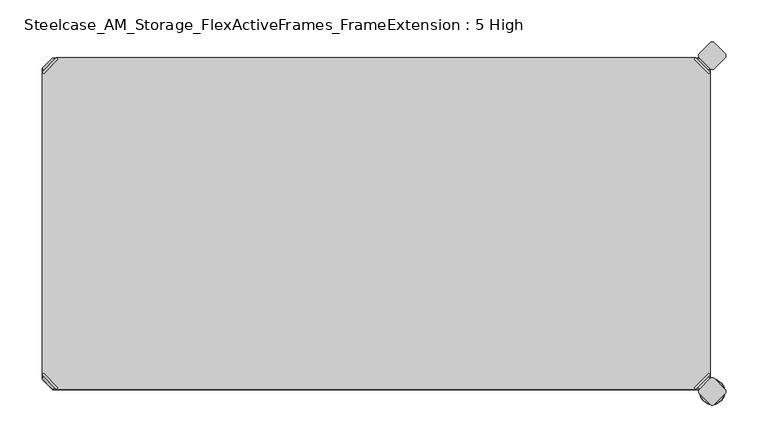
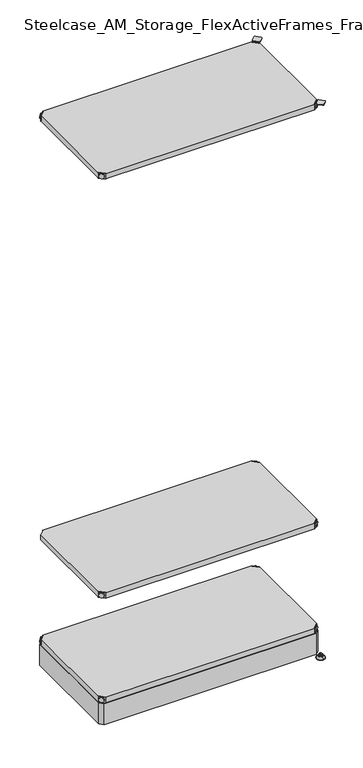
"""IFC4 building model written with IfcOpenShell, lengths in millimetres: furniture geometry, Steelcase_AM_Storage_FlexActiveFrames_FrameExtension : 5 High."""

from ifc_helpers import new_model, si_unit, point, frame, frame_2d, origin, place, context, project, spatial, polyline, circle_curve, ellipse_curve, trimmed, segment, composite_curve, outline, extrude, source, transform, mapped, element, save
from ifc_brep_helpers import plane_surface, cylinder_surface, revolved_surface, advanced_brep


def steelcase_am_storage_flexactiveframes_frameextension_5_high_43b7d896(model_context):
    return source(origin(), model_context, "Body", "SolidModel", [
        advanced_brep(
        [(797.56, 380.2870969, 520.2936), (780.3370969, 397.51, 520.2936), (778.5410456, 395.7139488, 520.2936), (795.7639488, 378.4910456, 520.2936), (797.56, 380.2870969, 498.9576), (780.3370969, 397.51, 498.9576), (795.2347277, 382.6123691, 510.1336), (782.6623691, 395.1847277, 510.1336), (769.8079478, 352.5350447, 499.9736), (795.7639488, 378.4910456, 499.9736), (778.5410456, 395.7139488, 499.9736), (752.5850447, 369.7579478, 499.9736), (769.8079478, 352.5350447, 498.9576), (752.5850447, 369.7579478, 498.9576), (784.9772487, 397.4996073, 510.1336), (797.5496073, 384.9272487, 510.1336)],
        [
            (0, 1),
            (1, 2),
            (2, 3),
            (3, 0),
            (0, 4),
            (4, 5),
            (5, 1),
            (6, 7, circle_curve(frame((788.9485484, 388.8985484, 510.1336), z_axis=(-0.7071067811865446, -0.7071067811865505, 0.0), x_axis=(0.7071067811865505, -0.7071067811865446, 0.0)), 8.89)),
            (7, 6, circle_curve(frame((788.9485484, 388.8985484, 510.1336), z_axis=(-0.7071067811865446, -0.7071067811865505, 0.0), x_axis=(0.7071067811865505, -0.7071067811865446, 0.0)), 8.89)),
            (8, 9),
            (9, 10),
            (10, 11),
            (11, 8, circle_curve(frame((761.1964963, 361.1464963, 499.9736), z_axis=(0.0, 0.0, 1.0), x_axis=(-1.0, 0.0, 0.0)), 12.1784316)),
            (12, 13, circle_curve(frame((761.1964963, 361.1464963, 498.9576), z_axis=(0.0, 0.0, -1.0), x_axis=(-1.0, 0.0, 0.0)), 12.1784316)),
            (13, 5),
            (4, 12),
            (14, 15, circle_curve(frame((791.263428, 391.213428, 510.1336), z_axis=(0.7071067811865446, 0.7071067811865505, 0.0), x_axis=(0.7071067811865505, -0.7071067811865446, 0.0)), 8.89)),
            (15, 14, circle_curve(frame((791.263428, 391.213428, 510.1336), z_axis=(0.7071067811865446, 0.7071067811865505, 0.0), x_axis=(0.7071067811865505, -0.7071067811865446, 0.0)), 8.89)),
            (15, 6),
            (7, 14),
            (2, 10),
            (9, 3),
            (11, 13),
            (12, 8),
        ],
        [
            plane_surface(frame((819.7579872, 402.485084, 520.2936), z_axis=(0.0, 0.0, 1.0000000000000002), x_axis=(-0.7071067811865436, -0.7071067811865516, 0.0))),
            plane_surface(frame((780.3370969, 397.51, 520.2936), z_axis=(0.7071067811865447, 0.7071067811865503, 0.0), x_axis=(0.0, 0.0, -1.0))),
            plane_surface(frame((749.0180647, 361.1464963, 499.9736), z_axis=(0.0, 0.0, 1.0), x_axis=(0.0, 1.0, 0.0))),
            plane_surface(frame((749.0180647, 361.1464963, 498.9576), z_axis=(0.0, 0.0, -1.0), x_axis=(0.0, -1.0, 0.0))),
            plane_surface(frame((797.5496073, 384.9272487, 510.1336), z_axis=(0.7071067811865446, 0.7071067811865505, 0.0), x_axis=(0.0, 0.0, 1.0))),
            cylinder_surface(frame((788.9485484, 388.8985484, 510.1336), z_axis=(0.7071067811865446, 0.7071067811865505, 0.0), x_axis=(0.7071067811865505, -0.7071067811865446, 0.0)), 8.89),
            plane_surface(frame((795.7639488, 378.4910456, 520.2936), z_axis=(-0.7071067811865447, -0.7071067811865503, 0.0), x_axis=(0.0, 0.0, -1.0))),
            cylinder_surface(frame((761.1964963, 361.1464963, 498.9576), z_axis=(0.0, 0.0, 1.0), x_axis=(-1.0, 0.0, 0.0)), 12.1784316),
            plane_surface(frame((797.56, 380.2870969, 520.2936), z_axis=(0.7071067811865516, -0.7071067811865436, 0.0), x_axis=(0.0, 0.0, -1.0))),
            plane_surface(frame((778.5410456, 395.7139488, 520.2936), z_axis=(-0.7071067811865513, 0.7071067811865437, 0.0), x_axis=(0.0, 0.0, -1.0))),
        ],
        [
            (0, [[1, 2, 3, 4]]),
            (1, [[5, 6, 7, -1], [8, 9]]),
            (2, [[10, 11, 12, 13]]),
            (3, [[14, 15, -6, 16]]),
            (4, [[17, 18]]),
            (5, [[19, -9, 20, -18]]),
            (5, [[-20, -8, -19, -17]]),
            (6, [[21, -11, 22, -3]]),
            (7, [[23, -14, 24, -13]]),
            (8, [[-22, -10, -24, -16, -5, -4]]),
            (9, [[-7, -15, -23, -12, -21, -2]]),
        ],
    ),
        advanced_brep(
        [(797.56, 19.7629031, 520.2936), (795.7639488, 21.5589544, 520.2936), (778.5410456, 4.3360512, 520.2936), (780.3370969, 2.54, 520.2936), (780.3370969, 2.54, 498.9576), (797.56, 19.7629031, 498.9576), (795.2347277, 17.4376309, 510.1336), (782.6623691, 4.8652723, 510.1336), (769.8079478, 47.5149553, 499.9736), (752.5850447, 30.2920522, 499.9736), (778.5410456, 4.3360512, 499.9736), (795.7639488, 21.5589544, 499.9736), (769.8079478, 47.5149553, 498.9576), (752.5850447, 30.2920522, 498.9576), (784.9772487, 2.5503927, 510.1336), (797.5496073, 15.1227513, 510.1336)],
        [
            (0, 1),
            (1, 2),
            (2, 3),
            (3, 0),
            (3, 4),
            (4, 5),
            (5, 0),
            (6, 7, circle_curve(frame((788.9485484, 11.1514516, 510.1336), z_axis=(-0.7071067811865469, 0.7071067811865481, 0.0), x_axis=(0.7071067811865481, 0.7071067811865469, 0.0)), 8.89)),
            (7, 6, circle_curve(frame((788.9485484, 11.1514516, 510.1336), z_axis=(-0.7071067811865469, 0.7071067811865481, 0.0), x_axis=(0.7071067811865481, 0.7071067811865469, 0.0)), 8.89)),
            (8, 9, circle_curve(frame((761.1964963, 38.9035037, 499.9736), z_axis=(0.0, 0.0, 1.0), x_axis=(-1.0, 0.0, 0.0)), 12.1784316)),
            (9, 10),
            (10, 11),
            (11, 8),
            (12, 5),
            (4, 13),
            (13, 12, circle_curve(frame((761.1964963, 38.9035037, 498.9576), z_axis=(0.0, 0.0, -1.0), x_axis=(-1.0, 0.0, 0.0)), 12.1784316)),
            (14, 15, circle_curve(frame((791.263428, 8.836572, 510.1336), z_axis=(0.7071067811865469, -0.7071067811865481, 0.0), x_axis=(0.7071067811865481, 0.7071067811865469, 0.0)), 8.89)),
            (15, 14, circle_curve(frame((791.263428, 8.836572, 510.1336), z_axis=(0.7071067811865469, -0.7071067811865481, 0.0), x_axis=(0.7071067811865481, 0.7071067811865469, 0.0)), 8.89)),
            (14, 7),
            (6, 15),
            (1, 11),
            (10, 2),
            (8, 12),
            (13, 9),
        ],
        [
            plane_surface(frame((819.7579872, -2.435084, 520.2936), z_axis=(0.0, 0.0, 1.0000000000000002), x_axis=(-0.7071067811865459, 0.7071067811865492, 0.0))),
            plane_surface(frame((780.3370969, 2.54, 520.2936), z_axis=(0.707106781186547, -0.707106781186548, 0.0), x_axis=(0.0, 0.0, -1.0))),
            plane_surface(frame((749.0180647, 38.9035037, 499.9736), z_axis=(0.0, 0.0, 1.0), x_axis=(0.0, -1.0, 0.0))),
            plane_surface(frame((749.0180647, 38.9035037, 498.9576), z_axis=(0.0, 0.0, -1.0), x_axis=(0.0, 1.0, 0.0))),
            plane_surface(frame((797.5496073, 15.1227513, 510.1336), z_axis=(0.7071067811865469, -0.7071067811865481, 0.0), x_axis=(0.0, 0.0, 1.0))),
            cylinder_surface(frame((788.9485484, 11.1514516, 510.1336), z_axis=(0.7071067811865469, -0.7071067811865481, 0.0), x_axis=(0.7071067811865481, 0.7071067811865469, 0.0)), 8.89),
            plane_surface(frame((795.7639488, 21.5589544, 520.2936), z_axis=(-0.707106781186547, 0.707106781186548, 0.0), x_axis=(0.0, 0.0, -1.0))),
            cylinder_surface(frame((761.1964963, 38.9035037, 498.9576), z_axis=(0.0, 0.0, 1.0), x_axis=(-1.0, 0.0, 0.0)), 12.1784316),
            plane_surface(frame((797.56, 19.7629031, 520.2936), z_axis=(0.7071067811865492, 0.7071067811865459, 0.0), x_axis=(0.0, 0.0, -1.0))),
            plane_surface(frame((778.5410456, 4.3360512, 520.2936), z_axis=(-0.707106781186549, -0.707106781186546, 0.0), x_axis=(0.0, 0.0, -1.0))),
        ],
        [
            (0, [[1, 2, 3, 4]]),
            (1, [[-4, 5, 6, 7], [8, 9]]),
            (2, [[10, 11, 12, 13]]),
            (3, [[14, -6, 15, 16]]),
            (4, [[17, 18]]),
            (5, [[-17, 19, -8, 20]]),
            (5, [[-18, -20, -9, -19]]),
            (6, [[-2, 21, -12, 22]]),
            (7, [[-10, 23, -16, 24]]),
            (8, [[-1, -7, -14, -23, -13, -21]]),
            (9, [[-3, -22, -11, -24, -15, -5]]),
        ],
    ),
        advanced_brep(
        [(2.54, 19.7629031, 520.2936), (19.7629031, 2.54, 520.2936), (21.5589544, 4.3360512, 520.2936), (4.3360512, 21.5589544, 520.2936), (2.54, 19.7629031, 498.9576), (19.7629031, 2.54, 498.9576), (4.8652723, 17.4376309, 510.1336), (17.4376309, 4.8652723, 510.1336), (30.2920522, 47.5149553, 499.9736), (4.3360512, 21.5589544, 499.9736), (21.5589544, 4.3360512, 499.9736), (47.5149553, 30.2920522, 499.9736), (30.2920522, 47.5149553, 498.9576), (47.5149553, 30.2920522, 498.9576), (15.1227513, 2.5503927, 510.1336), (2.5503927, 15.1227513, 510.1336)],
        [
            (0, 1),
            (1, 2),
            (2, 3),
            (3, 0),
            (0, 4),
            (4, 5),
            (5, 1),
            (6, 7, circle_curve(frame((11.1514516, 11.1514516, 510.1336), z_axis=(0.7071067811865469, 0.7071067811865481, 0.0), x_axis=(-0.7071067811865481, 0.7071067811865469, 0.0)), 8.89)),
            (7, 6, circle_curve(frame((11.1514516, 11.1514516, 510.1336), z_axis=(0.7071067811865469, 0.7071067811865481, 0.0), x_axis=(-0.7071067811865481, 0.7071067811865469, 0.0)), 8.89)),
            (8, 9),
            (9, 10),
            (10, 11),
            (11, 8, circle_curve(frame((38.9035037, 38.9035037, 499.9736), z_axis=(0.0, 0.0, 1.0), x_axis=(1.0, 0.0, 0.0)), 12.1784316)),
            (12, 13, circle_curve(frame((38.9035037, 38.9035037, 498.9576), z_axis=(0.0, 0.0, -1.0), x_axis=(1.0, 0.0, 0.0)), 12.1784316)),
            (13, 5),
            (4, 12),
            (14, 15, circle_curve(frame((8.836572, 8.836572, 510.1336), z_axis=(-0.7071067811865469, -0.7071067811865481, 0.0), x_axis=(-0.7071067811865481, 0.7071067811865469, 0.0)), 8.89)),
            (15, 14, circle_curve(frame((8.836572, 8.836572, 510.1336), z_axis=(-0.7071067811865469, -0.7071067811865481, 0.0), x_axis=(-0.7071067811865481, 0.7071067811865469, 0.0)), 8.89)),
            (15, 6),
            (7, 14),
            (2, 10),
            (9, 3),
            (11, 13),
            (12, 8),
        ],
        [
            plane_surface(frame((-19.6579872, -2.435084, 520.2936), z_axis=(0.0, 0.0, 1.0000000000000002), x_axis=(0.7071067811865459, 0.7071067811865492, 0.0))),
            plane_surface(frame((19.7629031, 2.54, 520.2936), z_axis=(-0.707106781186547, -0.707106781186548, 0.0), x_axis=(0.0, 0.0, -1.0))),
            plane_surface(frame((51.0819353, 38.9035037, 499.9736), z_axis=(0.0, 0.0, 1.0), x_axis=(0.0, -1.0, 0.0))),
            plane_surface(frame((51.0819353, 38.9035037, 498.9576), z_axis=(0.0, 0.0, -1.0), x_axis=(0.0, 1.0, 0.0))),
            plane_surface(frame((2.5503927, 15.1227513, 510.1336), z_axis=(-0.7071067811865469, -0.7071067811865481, 0.0), x_axis=(0.0, 0.0, 1.0))),
            cylinder_surface(frame((11.1514516, 11.1514516, 510.1336), z_axis=(-0.7071067811865469, -0.7071067811865481, 0.0), x_axis=(-0.7071067811865481, 0.7071067811865469, 0.0)), 8.89),
            plane_surface(frame((4.3360512, 21.5589544, 520.2936), z_axis=(0.707106781186547, 0.707106781186548, 0.0), x_axis=(0.0, 0.0, -1.0))),
            cylinder_surface(frame((38.9035037, 38.9035037, 498.9576), z_axis=(0.0, 0.0, 1.0), x_axis=(1.0, 0.0, 0.0)), 12.1784316),
            plane_surface(frame((2.54, 19.7629031, 520.2936), z_axis=(-0.7071067811865492, 0.7071067811865459, 0.0), x_axis=(0.0, 0.0, -1.0))),
            plane_surface(frame((21.5589544, 4.3360512, 520.2936), z_axis=(0.707106781186549, -0.707106781186546, 0.0), x_axis=(0.0, 0.0, -1.0))),
        ],
        [
            (0, [[1, 2, 3, 4]]),
            (1, [[5, 6, 7, -1], [8, 9]]),
            (2, [[10, 11, 12, 13]]),
            (3, [[14, 15, -6, 16]]),
            (4, [[17, 18]]),
            (5, [[19, -9, 20, -18]]),
            (5, [[-20, -8, -19, -17]]),
            (6, [[21, -11, 22, -3]]),
            (7, [[23, -14, 24, -13]]),
            (8, [[-22, -10, -24, -16, -5, -4]]),
            (9, [[-7, -15, -23, -12, -21, -2]]),
        ],
    ),
        extrude(outline(polyline([(19.7629031, 2.54), (21.5589544, 4.3360512), (4.3360512, 21.5589544), (2.54, 19.7629031), (2.54, 380.2870969), (4.3360512, 378.4910456), (21.5589544, 395.7139488), (19.7629031, 397.51), (780.3370969, 397.51), (778.5410456, 395.7139488), (795.7639488, 378.4910456), (797.56, 380.2870969), (797.56, 19.7629031), (795.7639488, 21.5589544), (778.5410456, 4.3360512), (780.3370969, 2.54), (19.7629031, 2.54)])), frame((0.0, 0.0, 499.9736), z_axis=(0.0, 0.0, 1.0), x_axis=(1.0, 0.0, 0.0)), (0.0, 0.0, 1.0), 20.32),
        advanced_brep(
        [(2.54, 380.2870969, 2127.25), (4.3360512, 378.4910456, 2127.25), (21.5589544, 395.7139488, 2127.25), (19.7629031, 397.51, 2127.25), (19.7629031, 397.51, 2105.914), (2.54, 380.2870969, 2105.914), (4.8652723, 382.6123691, 2117.09), (17.4376309, 395.1847277, 2117.09), (30.2920522, 352.5350447, 2106.93), (47.5149553, 369.7579478, 2106.93), (21.5589544, 395.7139488, 2106.93), (4.3360512, 378.4910456, 2106.93), (30.2920522, 352.5350447, 2105.914), (47.5149553, 369.7579478, 2105.914), (15.1227513, 397.4996073, 2117.09), (2.5503927, 384.9272487, 2117.09)],
        [
            (0, 1),
            (1, 2),
            (2, 3),
            (3, 0),
            (3, 4),
            (4, 5),
            (5, 0),
            (6, 7, circle_curve(frame((11.1514516, 388.8985484, 2117.09), z_axis=(0.7071067811865446, -0.7071067811865505, 0.0), x_axis=(-0.7071067811865505, -0.7071067811865446, 0.0)), 8.89)),
            (7, 6, circle_curve(frame((11.1514516, 388.8985484, 2117.09), z_axis=(0.7071067811865446, -0.7071067811865505, 0.0), x_axis=(-0.7071067811865505, -0.7071067811865446, 0.0)), 8.89)),
            (8, 9, circle_curve(frame((38.9035037, 361.1464963, 2106.93), z_axis=(0.0, 0.0, 1.0), x_axis=(1.0, 0.0, 0.0)), 12.1784316)),
            (9, 10),
            (10, 11),
            (11, 8),
            (12, 5),
            (4, 13),
            (13, 12, circle_curve(frame((38.9035037, 361.1464963, 2105.914), z_axis=(0.0, 0.0, -1.0), x_axis=(1.0, 0.0, 0.0)), 12.1784316)),
            (14, 15, circle_curve(frame((8.836572, 391.213428, 2117.09), z_axis=(-0.7071067811865446, 0.7071067811865505, 0.0), x_axis=(-0.7071067811865505, -0.7071067811865446, 0.0)), 8.89)),
            (15, 14, circle_curve(frame((8.836572, 391.213428, 2117.09), z_axis=(-0.7071067811865446, 0.7071067811865505, 0.0), x_axis=(-0.7071067811865505, -0.7071067811865446, 0.0)), 8.89)),
            (14, 7),
            (6, 15),
            (1, 11),
            (10, 2),
            (8, 12),
            (13, 9),
        ],
        [
            plane_surface(frame((-19.6579872, 402.485084, 2127.25), z_axis=(0.0, 0.0, 1.0000000000000002), x_axis=(0.7071067811865436, -0.7071067811865516, 0.0))),
            plane_surface(frame((19.7629031, 397.51, 2127.25), z_axis=(-0.7071067811865447, 0.7071067811865503, 0.0), x_axis=(0.0, 0.0, -1.0))),
            plane_surface(frame((51.0819353, 361.1464963, 2106.93), z_axis=(0.0, 0.0, 1.0), x_axis=(0.0, 1.0, 0.0))),
            plane_surface(frame((51.0819353, 361.1464963, 2105.914), z_axis=(0.0, 0.0, -1.0), x_axis=(0.0, -1.0, 0.0))),
            plane_surface(frame((2.5503927, 384.9272487, 2117.09), z_axis=(-0.7071067811865446, 0.7071067811865505, 0.0), x_axis=(0.0, 0.0, 1.0))),
            cylinder_surface(frame((11.1514516, 388.8985484, 2117.09), z_axis=(-0.7071067811865446, 0.7071067811865505, 0.0), x_axis=(-0.7071067811865505, -0.7071067811865446, 0.0)), 8.89),
            plane_surface(frame((4.3360512, 378.4910456, 2127.25), z_axis=(0.7071067811865447, -0.7071067811865503, 0.0), x_axis=(0.0, 0.0, -1.0))),
            cylinder_surface(frame((38.9035037, 361.1464963, 2105.914), z_axis=(0.0, 0.0, 1.0), x_axis=(1.0, 0.0, 0.0)), 12.1784316),
            plane_surface(frame((2.54, 380.2870969, 2127.25), z_axis=(-0.7071067811865516, -0.7071067811865436, 0.0), x_axis=(0.0, 0.0, -1.0))),
            plane_surface(frame((21.5589544, 395.7139488, 2127.25), z_axis=(0.7071067811865513, 0.7071067811865437, 0.0), x_axis=(0.0, 0.0, -1.0))),
        ],
        [
            (0, [[1, 2, 3, 4]]),
            (1, [[-4, 5, 6, 7], [8, 9]]),
            (2, [[10, 11, 12, 13]]),
            (3, [[14, -6, 15, 16]]),
            (4, [[17, 18]]),
            (5, [[-17, 19, -8, 20]]),
            (5, [[-18, -20, -9, -19]]),
            (6, [[-2, 21, -12, 22]]),
            (7, [[-10, 23, -16, 24]]),
            (8, [[-1, -7, -14, -23, -13, -21]]),
            (9, [[-3, -22, -11, -24, -15, -5]]),
        ],
    ),
        advanced_brep(
        [(797.56, 380.2870969, 2127.25), (780.3370969, 397.51, 2127.25), (778.5410456, 395.7139488, 2127.25), (795.7639488, 378.4910456, 2127.25), (797.56, 380.2870969, 2105.914), (780.3370969, 397.51, 2105.914), (795.2347277, 382.6123691, 2117.09), (782.6623691, 395.1847277, 2117.09), (769.8079478, 352.5350447, 2106.93), (795.7639488, 378.4910456, 2106.93), (778.5410456, 395.7139488, 2106.93), (752.5850447, 369.7579478, 2106.93), (769.8079478, 352.5350447, 2105.914), (752.5850447, 369.7579478, 2105.914), (784.9772487, 397.4996073, 2117.09), (797.5496073, 384.9272487, 2117.09)],
        [
            (0, 1),
            (1, 2),
            (2, 3),
            (3, 0),
            (0, 4),
            (4, 5),
            (5, 1),
            (6, 7, circle_curve(frame((788.9485484, 388.8985484, 2117.09), z_axis=(-0.7071067811865446, -0.7071067811865505, 0.0), x_axis=(0.7071067811865505, -0.7071067811865446, 0.0)), 8.89)),
            (7, 6, circle_curve(frame((788.9485484, 388.8985484, 2117.09), z_axis=(-0.7071067811865446, -0.7071067811865505, 0.0), x_axis=(0.7071067811865505, -0.7071067811865446, 0.0)), 8.89)),
            (8, 9),
            (9, 10),
            (10, 11),
            (11, 8, circle_curve(frame((761.1964963, 361.1464963, 2106.93), z_axis=(0.0, 0.0, 1.0), x_axis=(-1.0, 0.0, 0.0)), 12.1784316)),
            (12, 13, circle_curve(frame((761.1964963, 361.1464963, 2105.914), z_axis=(0.0, 0.0, -1.0), x_axis=(-1.0, 0.0, 0.0)), 12.1784316)),
            (13, 5),
            (4, 12),
            (14, 15, circle_curve(frame((791.263428, 391.213428, 2117.09), z_axis=(0.7071067811865446, 0.7071067811865505, 0.0), x_axis=(0.7071067811865505, -0.7071067811865446, 0.0)), 8.89)),
            (15, 14, circle_curve(frame((791.263428, 391.213428, 2117.09), z_axis=(0.7071067811865446, 0.7071067811865505, 0.0), x_axis=(0.7071067811865505, -0.7071067811865446, 0.0)), 8.89)),
            (15, 6),
            (7, 14),
            (2, 10),
            (9, 3),
            (11, 13),
            (12, 8),
        ],
        [
            plane_surface(frame((819.7579872, 402.485084, 2127.25), z_axis=(0.0, 0.0, 1.0000000000000002), x_axis=(-0.7071067811865436, -0.7071067811865516, 0.0))),
            plane_surface(frame((780.3370969, 397.51, 2127.25), z_axis=(0.7071067811865447, 0.7071067811865503, 0.0), x_axis=(0.0, 0.0, -1.0))),
            plane_surface(frame((749.0180647, 361.1464963, 2106.93), z_axis=(0.0, 0.0, 1.0), x_axis=(0.0, 1.0, 0.0))),
            plane_surface(frame((749.0180647, 361.1464963, 2105.914), z_axis=(0.0, 0.0, -1.0), x_axis=(0.0, -1.0, 0.0))),
            plane_surface(frame((797.5496073, 384.9272487, 2117.09), z_axis=(0.7071067811865446, 0.7071067811865505, 0.0), x_axis=(0.0, 0.0, 1.0))),
            cylinder_surface(frame((788.9485484, 388.8985484, 2117.09), z_axis=(0.7071067811865446, 0.7071067811865505, 0.0), x_axis=(0.7071067811865505, -0.7071067811865446, 0.0)), 8.89),
            plane_surface(frame((795.7639488, 378.4910456, 2127.25), z_axis=(-0.7071067811865447, -0.7071067811865503, 0.0), x_axis=(0.0, 0.0, -1.0))),
            cylinder_surface(frame((761.1964963, 361.1464963, 2105.914), z_axis=(0.0, 0.0, 1.0), x_axis=(-1.0, 0.0, 0.0)), 12.1784316),
            plane_surface(frame((797.56, 380.2870969, 2127.25), z_axis=(0.7071067811865516, -0.7071067811865436, 0.0), x_axis=(0.0, 0.0, -1.0))),
            plane_surface(frame((778.5410456, 395.7139488, 2127.25), z_axis=(-0.7071067811865513, 0.7071067811865437, 0.0), x_axis=(0.0, 0.0, -1.0))),
        ],
        [
            (0, [[1, 2, 3, 4]]),
            (1, [[5, 6, 7, -1], [8, 9]]),
            (2, [[10, 11, 12, 13]]),
            (3, [[14, 15, -6, 16]]),
            (4, [[17, 18]]),
            (5, [[19, -9, 20, -18]]),
            (5, [[-20, -8, -19, -17]]),
            (6, [[21, -11, 22, -3]]),
            (7, [[23, -14, 24, -13]]),
            (8, [[-22, -10, -24, -16, -5, -4]]),
            (9, [[-7, -15, -23, -12, -21, -2]]),
        ],
    ),
        advanced_brep(
        [(797.56, 19.7629031, 2127.25), (795.7639488, 21.5589544, 2127.25), (778.5410456, 4.3360512, 2127.25), (780.3370969, 2.54, 2127.25), (780.3370969, 2.54, 2105.914), (797.56, 19.7629031, 2105.914), (795.2347277, 17.4376309, 2117.09), (782.6623691, 4.8652723, 2117.09), (769.8079478, 47.5149553, 2106.93), (752.5850447, 30.2920522, 2106.93), (778.5410456, 4.3360512, 2106.93), (795.7639488, 21.5589544, 2106.93), (769.8079478, 47.5149553, 2105.914), (752.5850447, 30.2920522, 2105.914), (784.9772487, 2.5503927, 2117.09), (797.5496073, 15.1227513, 2117.09)],
        [
            (0, 1),
            (1, 2),
            (2, 3),
            (3, 0),
            (3, 4),
            (4, 5),
            (5, 0),
            (6, 7, circle_curve(frame((788.9485484, 11.1514516, 2117.09), z_axis=(-0.7071067811865469, 0.7071067811865481, 0.0), x_axis=(0.7071067811865481, 0.7071067811865469, 0.0)), 8.89)),
            (7, 6, circle_curve(frame((788.9485484, 11.1514516, 2117.09), z_axis=(-0.7071067811865469, 0.7071067811865481, 0.0), x_axis=(0.7071067811865481, 0.7071067811865469, 0.0)), 8.89)),
            (8, 9, circle_curve(frame((761.1964963, 38.9035037, 2106.93), z_axis=(0.0, 0.0, 1.0), x_axis=(-1.0, 0.0, 0.0)), 12.1784316)),
            (9, 10),
            (10, 11),
            (11, 8),
            (12, 5),
            (4, 13),
            (13, 12, circle_curve(frame((761.1964963, 38.9035037, 2105.914), z_axis=(0.0, 0.0, -1.0), x_axis=(-1.0, 0.0, 0.0)), 12.1784316)),
            (14, 15, circle_curve(frame((791.263428, 8.836572, 2117.09), z_axis=(0.7071067811865469, -0.7071067811865481, 0.0), x_axis=(0.7071067811865481, 0.7071067811865469, 0.0)), 8.89)),
            (15, 14, circle_curve(frame((791.263428, 8.836572, 2117.09), z_axis=(0.7071067811865469, -0.7071067811865481, 0.0), x_axis=(0.7071067811865481, 0.7071067811865469, 0.0)), 8.89)),
            (14, 7),
            (6, 15),
            (1, 11),
            (10, 2),
            (8, 12),
            (13, 9),
        ],
        [
            plane_surface(frame((819.7579872, -2.435084, 2127.25), z_axis=(0.0, 0.0, 1.0000000000000002), x_axis=(-0.7071067811865459, 0.7071067811865492, 0.0))),
            plane_surface(frame((780.3370969, 2.54, 2127.25), z_axis=(0.707106781186547, -0.707106781186548, 0.0), x_axis=(0.0, 0.0, -1.0))),
            plane_surface(frame((749.0180647, 38.9035037, 2106.93), z_axis=(0.0, 0.0, 1.0), x_axis=(0.0, -1.0, 0.0))),
            plane_surface(frame((749.0180647, 38.9035037, 2105.914), z_axis=(0.0, 0.0, -1.0), x_axis=(0.0, 1.0, 0.0))),
            plane_surface(frame((797.5496073, 15.1227513, 2117.09), z_axis=(0.7071067811865469, -0.7071067811865481, 0.0), x_axis=(0.0, 0.0, 1.0))),
            cylinder_surface(frame((788.9485484, 11.1514516, 2117.09), z_axis=(0.7071067811865469, -0.7071067811865481, 0.0), x_axis=(0.7071067811865481, 0.7071067811865469, 0.0)), 8.89),
            plane_surface(frame((795.7639488, 21.5589544, 2127.25), z_axis=(-0.707106781186547, 0.707106781186548, 0.0), x_axis=(0.0, 0.0, -1.0))),
            cylinder_surface(frame((761.1964963, 38.9035037, 2105.914), z_axis=(0.0, 0.0, 1.0), x_axis=(-1.0, 0.0, 0.0)), 12.1784316),
            plane_surface(frame((797.56, 19.7629031, 2127.25), z_axis=(0.7071067811865492, 0.7071067811865459, 0.0), x_axis=(0.0, 0.0, -1.0))),
            plane_surface(frame((778.5410456, 4.3360512, 2127.25), z_axis=(-0.707106781186549, -0.707106781186546, 0.0), x_axis=(0.0, 0.0, -1.0))),
        ],
        [
            (0, [[1, 2, 3, 4]]),
            (1, [[-4, 5, 6, 7], [8, 9]]),
            (2, [[10, 11, 12, 13]]),
            (3, [[14, -6, 15, 16]]),
            (4, [[17, 18]]),
            (5, [[-17, 19, -8, 20]]),
            (5, [[-18, -20, -9, -19]]),
            (6, [[-2, 21, -12, 22]]),
            (7, [[-10, 23, -16, 24]]),
            (8, [[-1, -7, -14, -23, -13, -21]]),
            (9, [[-3, -22, -11, -24, -15, -5]]),
        ],
    ),
        advanced_brep(
        [(2.54, 19.7629031, 2127.25), (19.7629031, 2.54, 2127.25), (21.5589544, 4.3360512, 2127.25), (4.3360512, 21.5589544, 2127.25), (2.54, 19.7629031, 2105.914), (19.7629031, 2.54, 2105.914), (4.8652723, 17.4376309, 2117.09), (17.4376309, 4.8652723, 2117.09), (30.2920522, 47.5149553, 2106.93), (4.3360512, 21.5589544, 2106.93), (21.5589544, 4.3360512, 2106.93), (47.5149553, 30.2920522, 2106.93), (30.2920522, 47.5149553, 2105.914), (47.5149553, 30.2920522, 2105.914), (15.1227513, 2.5503927, 2117.09), (2.5503927, 15.1227513, 2117.09)],
        [
            (0, 1),
            (1, 2),
            (2, 3),
            (3, 0),
            (0, 4),
            (4, 5),
            (5, 1),
            (6, 7, circle_curve(frame((11.1514516, 11.1514516, 2117.09), z_axis=(0.7071067811865469, 0.7071067811865481, 0.0), x_axis=(-0.7071067811865481, 0.7071067811865469, 0.0)), 8.89)),
            (7, 6, circle_curve(frame((11.1514516, 11.1514516, 2117.09), z_axis=(0.7071067811865469, 0.7071067811865481, 0.0), x_axis=(-0.7071067811865481, 0.7071067811865469, 0.0)), 8.89)),
            (8, 9),
            (9, 10),
            (10, 11),
            (11, 8, circle_curve(frame((38.9035037, 38.9035037, 2106.93), z_axis=(0.0, 0.0, 1.0), x_axis=(1.0, 0.0, 0.0)), 12.1784316)),
            (12, 13, circle_curve(frame((38.9035037, 38.9035037, 2105.914), z_axis=(0.0, 0.0, -1.0), x_axis=(1.0, 0.0, 0.0)), 12.1784316)),
            (13, 5),
            (4, 12),
            (14, 15, circle_curve(frame((8.836572, 8.836572, 2117.09), z_axis=(-0.7071067811865469, -0.7071067811865481, 0.0), x_axis=(-0.7071067811865481, 0.7071067811865469, 0.0)), 8.89)),
            (15, 14, circle_curve(frame((8.836572, 8.836572, 2117.09), z_axis=(-0.7071067811865469, -0.7071067811865481, 0.0), x_axis=(-0.7071067811865481, 0.7071067811865469, 0.0)), 8.89)),
            (15, 6),
            (7, 14),
            (2, 10),
            (9, 3),
            (11, 13),
            (12, 8),
        ],
        [
            plane_surface(frame((-19.6579872, -2.435084, 2127.25), z_axis=(0.0, 0.0, 1.0000000000000002), x_axis=(0.7071067811865459, 0.7071067811865492, 0.0))),
            plane_surface(frame((19.7629031, 2.54, 2127.25), z_axis=(-0.707106781186547, -0.707106781186548, 0.0), x_axis=(0.0, 0.0, -1.0))),
            plane_surface(frame((51.0819353, 38.9035037, 2106.93), z_axis=(0.0, 0.0, 1.0), x_axis=(0.0, -1.0, 0.0))),
            plane_surface(frame((51.0819353, 38.9035037, 2105.914), z_axis=(0.0, 0.0, -1.0), x_axis=(0.0, 1.0, 0.0))),
            plane_surface(frame((2.5503927, 15.1227513, 2117.09), z_axis=(-0.7071067811865469, -0.7071067811865481, 0.0), x_axis=(0.0, 0.0, 1.0))),
            cylinder_surface(frame((11.1514516, 11.1514516, 2117.09), z_axis=(-0.7071067811865469, -0.7071067811865481, 0.0), x_axis=(-0.7071067811865481, 0.7071067811865469, 0.0)), 8.89),
            plane_surface(frame((4.3360512, 21.5589544, 2127.25), z_axis=(0.707106781186547, 0.707106781186548, 0.0), x_axis=(0.0, 0.0, -1.0))),
            cylinder_surface(frame((38.9035037, 38.9035037, 2105.914), z_axis=(0.0, 0.0, 1.0), x_axis=(1.0, 0.0, 0.0)), 12.1784316),
            plane_surface(frame((2.54, 19.7629031, 2127.25), z_axis=(-0.7071067811865492, 0.7071067811865459, 0.0), x_axis=(0.0, 0.0, -1.0))),
            plane_surface(frame((21.5589544, 4.3360512, 2127.25), z_axis=(0.707106781186549, -0.707106781186546, 0.0), x_axis=(0.0, 0.0, -1.0))),
        ],
        [
            (0, [[1, 2, 3, 4]]),
            (1, [[5, 6, 7, -1], [8, 9]]),
            (2, [[10, 11, 12, 13]]),
            (3, [[14, 15, -6, 16]]),
            (4, [[17, 18]]),
            (5, [[19, -9, 20, -18]]),
            (5, [[-20, -8, -19, -17]]),
            (6, [[21, -11, 22, -3]]),
            (7, [[23, -14, 24, -13]]),
            (8, [[-22, -10, -24, -16, -5, -4]]),
            (9, [[-7, -15, -23, -12, -21, -2]]),
        ],
    ),
        extrude(outline(polyline([(19.7629031, 2.54), (21.5589544, 4.3360512), (4.3360512, 21.5589544), (2.54, 19.7629031), (2.54, 380.2870969), (4.3360512, 378.4910456), (21.5589544, 395.7139488), (19.7629031, 397.51), (780.3370969, 397.51), (778.5410456, 395.7139488), (795.7639488, 378.4910456), (797.56, 380.2870969), (797.56, 19.7629031), (795.7639488, 21.5589544), (778.5410456, 4.3360512), (780.3370969, 2.54), (19.7629031, 2.54)])), frame((0.0, 0.0, 2106.93), z_axis=(0.0, 0.0, 1.0), x_axis=(1.0, 0.0, 0.0)), (0.0, 0.0, 1.0), 20.32),
        advanced_brep(
        [(2.54, 380.2870969, 118.9736), (4.3360512, 378.4910456, 118.9736), (21.5589544, 395.7139488, 118.9736), (19.7629031, 397.51, 118.9736), (19.7629031, 397.51, 97.6376), (2.54, 380.2870969, 97.6376), (4.8652723, 382.6123691, 108.8136), (17.4376309, 395.1847277, 108.8136), (30.2920522, 352.5350447, 98.6536), (47.5149553, 369.7579478, 98.6536), (21.5589544, 395.7139488, 98.6536), (4.3360512, 378.4910456, 98.6536), (30.2920522, 352.5350447, 97.6376), (47.5149553, 369.7579478, 97.6376), (15.1227513, 397.4996073, 108.8136), (2.5503927, 384.9272487, 108.8136)],
        [
            (0, 1),
            (1, 2),
            (2, 3),
            (3, 0),
            (3, 4),
            (4, 5),
            (5, 0),
            (6, 7, circle_curve(frame((11.1514516, 388.8985484, 108.8136), z_axis=(0.7071067811865446, -0.7071067811865505, 0.0), x_axis=(-0.7071067811865505, -0.7071067811865446, 0.0)), 8.89)),
            (7, 6, circle_curve(frame((11.1514516, 388.8985484, 108.8136), z_axis=(0.7071067811865446, -0.7071067811865505, 0.0), x_axis=(-0.7071067811865505, -0.7071067811865446, 0.0)), 8.89)),
            (8, 9, circle_curve(frame((38.9035037, 361.1464963, 98.6536), z_axis=(0.0, 0.0, 1.0), x_axis=(1.0, 0.0, 0.0)), 12.1784316)),
            (9, 10),
            (10, 11),
            (11, 8),
            (12, 5),
            (4, 13),
            (13, 12, circle_curve(frame((38.9035037, 361.1464963, 97.6376), z_axis=(0.0, 0.0, -1.0), x_axis=(1.0, 0.0, 0.0)), 12.1784316)),
            (14, 15, circle_curve(frame((8.836572, 391.213428, 108.8136), z_axis=(-0.7071067811865446, 0.7071067811865505, 0.0), x_axis=(-0.7071067811865505, -0.7071067811865446, 0.0)), 8.89)),
            (15, 14, circle_curve(frame((8.836572, 391.213428, 108.8136), z_axis=(-0.7071067811865446, 0.7071067811865505, 0.0), x_axis=(-0.7071067811865505, -0.7071067811865446, 0.0)), 8.89)),
            (14, 7),
            (6, 15),
            (1, 11),
            (10, 2),
            (8, 12),
            (13, 9),
        ],
        [
            plane_surface(frame((-19.6579872, 402.485084, 118.9736), z_axis=(0.0, 0.0, 1.0000000000000002), x_axis=(0.7071067811865436, -0.7071067811865516, 0.0))),
            plane_surface(frame((19.7629031, 397.51, 118.9736), z_axis=(-0.7071067811865447, 0.7071067811865503, 0.0), x_axis=(0.0, 0.0, -1.0))),
            plane_surface(frame((51.0819353, 361.1464963, 98.6536), z_axis=(0.0, 0.0, 1.0), x_axis=(0.0, 1.0, 0.0))),
            plane_surface(frame((51.0819353, 361.1464963, 97.6376), z_axis=(0.0, 0.0, -1.0), x_axis=(0.0, -1.0, 0.0))),
            plane_surface(frame((2.5503927, 384.9272487, 108.8136), z_axis=(-0.7071067811865446, 0.7071067811865505, 0.0), x_axis=(0.0, 0.0, 1.0))),
            cylinder_surface(frame((11.1514516, 388.8985484, 108.8136), z_axis=(-0.7071067811865446, 0.7071067811865505, 0.0), x_axis=(-0.7071067811865505, -0.7071067811865446, 0.0)), 8.89),
            plane_surface(frame((4.3360512, 378.4910456, 118.9736), z_axis=(0.7071067811865447, -0.7071067811865503, 0.0), x_axis=(0.0, 0.0, -1.0))),
            cylinder_surface(frame((38.9035037, 361.1464963, 97.6376), z_axis=(0.0, 0.0, 1.0), x_axis=(1.0, 0.0, 0.0)), 12.1784316),
            plane_surface(frame((2.54, 380.2870969, 118.9736), z_axis=(-0.7071067811865516, -0.7071067811865436, 0.0), x_axis=(0.0, 0.0, -1.0))),
            plane_surface(frame((21.5589544, 395.7139488, 118.9736), z_axis=(0.7071067811865513, 0.7071067811865437, 0.0), x_axis=(0.0, 0.0, -1.0))),
        ],
        [
            (0, [[1, 2, 3, 4]]),
            (1, [[-4, 5, 6, 7], [8, 9]]),
            (2, [[10, 11, 12, 13]]),
            (3, [[14, -6, 15, 16]]),
            (4, [[17, 18]]),
            (5, [[-17, 19, -8, 20]]),
            (5, [[-18, -20, -9, -19]]),
            (6, [[-2, 21, -12, 22]]),
            (7, [[-10, 23, -16, 24]]),
            (8, [[-1, -7, -14, -23, -13, -21]]),
            (9, [[-3, -22, -11, -24, -15, -5]]),
        ],
    ),
        advanced_brep(
        [(797.56, 380.2870969, 118.9736), (780.3370969, 397.51, 118.9736), (778.5410456, 395.7139488, 118.9736), (795.7639488, 378.4910456, 118.9736), (797.56, 380.2870969, 97.6376), (780.3370969, 397.51, 97.6376), (795.2347277, 382.6123691, 108.8136), (782.6623691, 395.1847277, 108.8136), (769.8079478, 352.5350447, 98.6536), (795.7639488, 378.4910456, 98.6536), (778.5410456, 395.7139488, 98.6536), (752.5850447, 369.7579478, 98.6536), (769.8079478, 352.5350447, 97.6376), (752.5850447, 369.7579478, 97.6376), (784.9772487, 397.4996073, 108.8136), (797.5496073, 384.9272487, 108.8136)],
        [
            (0, 1),
            (1, 2),
            (2, 3),
            (3, 0),
            (0, 4),
            (4, 5),
            (5, 1),
            (6, 7, circle_curve(frame((788.9485484, 388.8985484, 108.8136), z_axis=(-0.7071067811865446, -0.7071067811865505, 0.0), x_axis=(0.7071067811865505, -0.7071067811865446, 0.0)), 8.89)),
            (7, 6, circle_curve(frame((788.9485484, 388.8985484, 108.8136), z_axis=(-0.7071067811865446, -0.7071067811865505, 0.0), x_axis=(0.7071067811865505, -0.7071067811865446, 0.0)), 8.89)),
            (8, 9),
            (9, 10),
            (10, 11),
            (11, 8, circle_curve(frame((761.1964963, 361.1464963, 98.6536), z_axis=(0.0, 0.0, 1.0), x_axis=(-1.0, 0.0, 0.0)), 12.1784316)),
            (12, 13, circle_curve(frame((761.1964963, 361.1464963, 97.6376), z_axis=(0.0, 0.0, -1.0), x_axis=(-1.0, 0.0, 0.0)), 12.1784316)),
            (13, 5),
            (4, 12),
            (14, 15, circle_curve(frame((791.263428, 391.213428, 108.8136), z_axis=(0.7071067811865446, 0.7071067811865505, 0.0), x_axis=(0.7071067811865505, -0.7071067811865446, 0.0)), 8.89)),
            (15, 14, circle_curve(frame((791.263428, 391.213428, 108.8136), z_axis=(0.7071067811865446, 0.7071067811865505, 0.0), x_axis=(0.7071067811865505, -0.7071067811865446, 0.0)), 8.89)),
            (15, 6),
            (7, 14),
            (2, 10),
            (9, 3),
            (11, 13),
            (12, 8),
        ],
        [
            plane_surface(frame((819.7579872, 402.485084, 118.9736), z_axis=(0.0, 0.0, 1.0000000000000002), x_axis=(-0.7071067811865436, -0.7071067811865516, 0.0))),
            plane_surface(frame((780.3370969, 397.51, 118.9736), z_axis=(0.7071067811865447, 0.7071067811865503, 0.0), x_axis=(0.0, 0.0, -1.0))),
            plane_surface(frame((749.0180647, 361.1464963, 98.6536), z_axis=(0.0, 0.0, 1.0), x_axis=(0.0, 1.0, 0.0))),
            plane_surface(frame((749.0180647, 361.1464963, 97.6376), z_axis=(0.0, 0.0, -1.0), x_axis=(0.0, -1.0, 0.0))),
            plane_surface(frame((797.5496073, 384.9272487, 108.8136), z_axis=(0.7071067811865446, 0.7071067811865505, 0.0), x_axis=(0.0, 0.0, 1.0))),
            cylinder_surface(frame((788.9485484, 388.8985484, 108.8136), z_axis=(0.7071067811865446, 0.7071067811865505, 0.0), x_axis=(0.7071067811865505, -0.7071067811865446, 0.0)), 8.89),
            plane_surface(frame((795.7639488, 378.4910456, 118.9736), z_axis=(-0.7071067811865447, -0.7071067811865503, 0.0), x_axis=(0.0, 0.0, -1.0))),
            cylinder_surface(frame((761.1964963, 361.1464963, 97.6376), z_axis=(0.0, 0.0, 1.0), x_axis=(-1.0, 0.0, 0.0)), 12.1784316),
            plane_surface(frame((797.56, 380.2870969, 118.9736), z_axis=(0.7071067811865516, -0.7071067811865436, 0.0), x_axis=(0.0, 0.0, -1.0))),
            plane_surface(frame((778.5410456, 395.7139488, 118.9736), z_axis=(-0.7071067811865513, 0.7071067811865437, 0.0), x_axis=(0.0, 0.0, -1.0))),
        ],
        [
            (0, [[1, 2, 3, 4]]),
            (1, [[5, 6, 7, -1], [8, 9]]),
            (2, [[10, 11, 12, 13]]),
            (3, [[14, 15, -6, 16]]),
            (4, [[17, 18]]),
            (5, [[19, -9, 20, -18]]),
            (5, [[-20, -8, -19, -17]]),
            (6, [[21, -11, 22, -3]]),
            (7, [[23, -14, 24, -13]]),
            (8, [[-22, -10, -24, -16, -5, -4]]),
            (9, [[-7, -15, -23, -12, -21, -2]]),
        ],
    ),
        advanced_brep(
        [(797.56, 19.7629031, 118.9736), (795.7639488, 21.5589544, 118.9736), (778.5410456, 4.3360512, 118.9736), (780.3370969, 2.54, 118.9736), (780.3370969, 2.54, 97.6376), (797.56, 19.7629031, 97.6376), (795.2347277, 17.4376309, 108.8136), (782.6623691, 4.8652723, 108.8136), (769.8079478, 47.5149553, 98.6536), (752.5850447, 30.2920522, 98.6536), (778.5410456, 4.3360512, 98.6536), (795.7639488, 21.5589544, 98.6536), (769.8079478, 47.5149553, 97.6376), (752.5850447, 30.2920522, 97.6376), (784.9772487, 2.5503927, 108.8136), (797.5496073, 15.1227513, 108.8136)],
        [
            (0, 1),
            (1, 2),
            (2, 3),
            (3, 0),
            (3, 4),
            (4, 5),
            (5, 0),
            (6, 7, circle_curve(frame((788.9485484, 11.1514516, 108.8136), z_axis=(-0.7071067811865469, 0.7071067811865481, 0.0), x_axis=(0.7071067811865481, 0.7071067811865469, 0.0)), 8.89)),
            (7, 6, circle_curve(frame((788.9485484, 11.1514516, 108.8136), z_axis=(-0.7071067811865469, 0.7071067811865481, 0.0), x_axis=(0.7071067811865481, 0.7071067811865469, 0.0)), 8.89)),
            (8, 9, circle_curve(frame((761.1964963, 38.9035037, 98.6536), z_axis=(0.0, 0.0, 1.0), x_axis=(-1.0, 0.0, 0.0)), 12.1784316)),
            (9, 10),
            (10, 11),
            (11, 8),
            (12, 5),
            (4, 13),
            (13, 12, circle_curve(frame((761.1964963, 38.9035037, 97.6376), z_axis=(0.0, 0.0, -1.0), x_axis=(-1.0, 0.0, 0.0)), 12.1784316)),
            (14, 15, circle_curve(frame((791.263428, 8.836572, 108.8136), z_axis=(0.7071067811865469, -0.7071067811865481, 0.0), x_axis=(0.7071067811865481, 0.7071067811865469, 0.0)), 8.89)),
            (15, 14, circle_curve(frame((791.263428, 8.836572, 108.8136), z_axis=(0.7071067811865469, -0.7071067811865481, 0.0), x_axis=(0.7071067811865481, 0.7071067811865469, 0.0)), 8.89)),
            (14, 7),
            (6, 15),
            (1, 11),
            (10, 2),
            (8, 12),
            (13, 9),
        ],
        [
            plane_surface(frame((819.7579872, -2.435084, 118.9736), z_axis=(0.0, 0.0, 1.0000000000000002), x_axis=(-0.7071067811865459, 0.7071067811865492, 0.0))),
            plane_surface(frame((780.3370969, 2.54, 118.9736), z_axis=(0.707106781186547, -0.707106781186548, 0.0), x_axis=(0.0, 0.0, -1.0))),
            plane_surface(frame((749.0180647, 38.9035037, 98.6536), z_axis=(0.0, 0.0, 1.0), x_axis=(0.0, -1.0, 0.0))),
            plane_surface(frame((749.0180647, 38.9035037, 97.6376), z_axis=(0.0, 0.0, -1.0), x_axis=(0.0, 1.0, 0.0))),
            plane_surface(frame((797.5496073, 15.1227513, 108.8136), z_axis=(0.7071067811865469, -0.7071067811865481, 0.0), x_axis=(0.0, 0.0, 1.0))),
            cylinder_surface(frame((788.9485484, 11.1514516, 108.8136), z_axis=(0.7071067811865469, -0.7071067811865481, 0.0), x_axis=(0.7071067811865481, 0.7071067811865469, 0.0)), 8.89),
            plane_surface(frame((795.7639488, 21.5589544, 118.9736), z_axis=(-0.707106781186547, 0.707106781186548, 0.0), x_axis=(0.0, 0.0, -1.0))),
            cylinder_surface(frame((761.1964963, 38.9035037, 97.6376), z_axis=(0.0, 0.0, 1.0), x_axis=(-1.0, 0.0, 0.0)), 12.1784316),
            plane_surface(frame((797.56, 19.7629031, 118.9736), z_axis=(0.7071067811865492, 0.7071067811865459, 0.0), x_axis=(0.0, 0.0, -1.0))),
            plane_surface(frame((778.5410456, 4.3360512, 118.9736), z_axis=(-0.707106781186549, -0.707106781186546, 0.0), x_axis=(0.0, 0.0, -1.0))),
        ],
        [
            (0, [[1, 2, 3, 4]]),
            (1, [[-4, 5, 6, 7], [8, 9]]),
            (2, [[10, 11, 12, 13]]),
            (3, [[14, -6, 15, 16]]),
            (4, [[17, 18]]),
            (5, [[-17, 19, -8, 20]]),
            (5, [[-18, -20, -9, -19]]),
            (6, [[-2, 21, -12, 22]]),
            (7, [[-10, 23, -16, 24]]),
            (8, [[-1, -7, -14, -23, -13, -21]]),
            (9, [[-3, -22, -11, -24, -15, -5]]),
        ],
    ),
        advanced_brep(
        [(2.54, 19.7629031, 118.9736), (19.7629031, 2.54, 118.9736), (21.5589544, 4.3360512, 118.9736), (4.3360512, 21.5589544, 118.9736), (2.54, 19.7629031, 97.6376), (19.7629031, 2.54, 97.6376), (4.8652723, 17.4376309, 108.8136), (17.4376309, 4.8652723, 108.8136), (30.2920522, 47.5149553, 98.6536), (4.3360512, 21.5589544, 98.6536), (21.5589544, 4.3360512, 98.6536), (47.5149553, 30.2920522, 98.6536), (30.2920522, 47.5149553, 97.6376), (47.5149553, 30.2920522, 97.6376), (15.1227513, 2.5503927, 108.8136), (2.5503927, 15.1227513, 108.8136)],
        [
            (0, 1),
            (1, 2),
            (2, 3),
            (3, 0),
            (0, 4),
            (4, 5),
            (5, 1),
            (6, 7, circle_curve(frame((11.1514516, 11.1514516, 108.8136), z_axis=(0.7071067811865469, 0.7071067811865481, 0.0), x_axis=(-0.7071067811865481, 0.7071067811865469, 0.0)), 8.89)),
            (7, 6, circle_curve(frame((11.1514516, 11.1514516, 108.8136), z_axis=(0.7071067811865469, 0.7071067811865481, 0.0), x_axis=(-0.7071067811865481, 0.7071067811865469, 0.0)), 8.89)),
            (8, 9),
            (9, 10),
            (10, 11),
            (11, 8, circle_curve(frame((38.9035037, 38.9035037, 98.6536), z_axis=(0.0, 0.0, 1.0), x_axis=(1.0, 0.0, 0.0)), 12.1784316)),
            (12, 13, circle_curve(frame((38.9035037, 38.9035037, 97.6376), z_axis=(0.0, 0.0, -1.0), x_axis=(1.0, 0.0, 0.0)), 12.1784316)),
            (13, 5),
            (4, 12),
            (14, 15, circle_curve(frame((8.836572, 8.836572, 108.8136), z_axis=(-0.7071067811865469, -0.7071067811865481, 0.0), x_axis=(-0.7071067811865481, 0.7071067811865469, 0.0)), 8.89)),
            (15, 14, circle_curve(frame((8.836572, 8.836572, 108.8136), z_axis=(-0.7071067811865469, -0.7071067811865481, 0.0), x_axis=(-0.7071067811865481, 0.7071067811865469, 0.0)), 8.89)),
            (15, 6),
            (7, 14),
            (2, 10),
            (9, 3),
            (11, 13),
            (12, 8),
        ],
        [
            plane_surface(frame((-19.6579872, -2.435084, 118.9736), z_axis=(0.0, 0.0, 1.0000000000000002), x_axis=(0.7071067811865459, 0.7071067811865492, 0.0))),
            plane_surface(frame((19.7629031, 2.54, 118.9736), z_axis=(-0.707106781186547, -0.707106781186548, 0.0), x_axis=(0.0, 0.0, -1.0))),
            plane_surface(frame((51.0819353, 38.9035037, 98.6536), z_axis=(0.0, 0.0, 1.0), x_axis=(0.0, -1.0, 0.0))),
            plane_surface(frame((51.0819353, 38.9035037, 97.6376), z_axis=(0.0, 0.0, -1.0), x_axis=(0.0, 1.0, 0.0))),
            plane_surface(frame((2.5503927, 15.1227513, 108.8136), z_axis=(-0.7071067811865469, -0.7071067811865481, 0.0), x_axis=(0.0, 0.0, 1.0))),
            cylinder_surface(frame((11.1514516, 11.1514516, 108.8136), z_axis=(-0.7071067811865469, -0.7071067811865481, 0.0), x_axis=(-0.7071067811865481, 0.7071067811865469, 0.0)), 8.89),
            plane_surface(frame((4.3360512, 21.5589544, 118.9736), z_axis=(0.707106781186547, 0.707106781186548, 0.0), x_axis=(0.0, 0.0, -1.0))),
            cylinder_surface(frame((38.9035037, 38.9035037, 97.6376), z_axis=(0.0, 0.0, 1.0), x_axis=(1.0, 0.0, 0.0)), 12.1784316),
            plane_surface(frame((2.54, 19.7629031, 118.9736), z_axis=(-0.7071067811865492, 0.7071067811865459, 0.0), x_axis=(0.0, 0.0, -1.0))),
            plane_surface(frame((21.5589544, 4.3360512, 118.9736), z_axis=(0.707106781186549, -0.707106781186546, 0.0), x_axis=(0.0, 0.0, -1.0))),
        ],
        [
            (0, [[1, 2, 3, 4]]),
            (1, [[5, 6, 7, -1], [8, 9]]),
            (2, [[10, 11, 12, 13]]),
            (3, [[14, 15, -6, 16]]),
            (4, [[17, 18]]),
            (5, [[19, -9, 20, -18]]),
            (5, [[-20, -8, -19, -17]]),
            (6, [[21, -11, 22, -3]]),
            (7, [[23, -14, 24, -13]]),
            (8, [[-22, -10, -24, -16, -5, -4]]),
            (9, [[-7, -15, -23, -12, -21, -2]]),
        ],
    ),
        extrude(outline(polyline([(19.7629031, 2.54), (21.5589544, 4.3360512), (4.3360512, 21.5589544), (2.54, 19.7629031), (2.54, 380.2870969), (4.3360512, 378.4910456), (21.5589544, 395.7139488), (19.7629031, 397.51), (780.3370969, 397.51), (778.5410456, 395.7139488), (795.7639488, 378.4910456), (797.56, 380.2870969), (797.56, 19.7629031), (795.7639488, 21.5589544), (778.5410456, 4.3360512), (780.3370969, 2.54), (19.7629031, 2.54)])), frame((0.0, 0.0, 98.6536), z_axis=(0.0, 0.0, 1.0), x_axis=(1.0, 0.0, 0.0)), (0.0, 0.0, 1.0), 20.32),
        extrude(outline(composite_curve([segment(polyline([(802.345064, 15.4326055), (815.5326055, 2.245064)]), True, "CONTINUOUS"), segment(trimmed(circle_curve(frame_2d((813.2875415, 0.0)), 3.175), [point((815.5326055, 2.245064))], [point((815.5326055, -2.245064))], False, "CARTESIAN"), True, "CONTINUOUS"), segment(polyline([(815.5326055, -2.245064), (802.345064, -15.4326055)]), True, "CONTINUOUS"), segment(trimmed(circle_curve(frame_2d((800.1, -13.1875415)), 3.175), [point((802.345064, -15.4326055))], [point((797.854936, -15.4326055))], False, "CARTESIAN"), True, "CONTINUOUS"), segment(polyline([(797.854936, -15.4326055), (784.6673945, -2.245064)]), True, "CONTINUOUS"), segment(trimmed(circle_curve(frame_2d((786.9124585, 0.0)), 3.175), [point((784.6673945, -2.245064))], [point((784.6673945, 2.245064))], False, "CARTESIAN"), True, "CONTINUOUS"), segment(polyline([(784.6673945, 2.245064), (797.854936, 15.4326055)]), True, "CONTINUOUS"), segment(trimmed(circle_curve(frame_2d((800.1, 13.1875415)), 3.175), [point((797.854936, 15.4326055))], [point((802.345064, 15.4326055))], False, "CARTESIAN"), True, "CONTINUOUS")], self_intersect=False)), frame((0.0, 0.0, 2127.25), z_axis=(0.0, 0.0, 1.0), x_axis=(1.0, 0.0, 0.0)), (0.0, 0.0, 1.0), 2.032),
        extrude(outline(composite_curve([segment(trimmed(circle_curve(frame_2d((800.1, 386.8624585)), 3.175), [point((802.345064, 384.6173945))], [point((797.854936, 384.6173945))], False, "CARTESIAN"), True, "CONTINUOUS"), segment(polyline([(797.854936, 384.6173945), (784.6673945, 397.804936)]), True, "CONTINUOUS"), segment(trimmed(circle_curve(frame_2d((786.9124585, 400.05)), 3.175), [point((784.6673945, 397.804936))], [point((784.6673945, 402.295064))], False, "CARTESIAN"), True, "CONTINUOUS"), segment(polyline([(784.6673945, 402.295064), (797.854936, 415.4826055)]), True, "CONTINUOUS"), segment(trimmed(circle_curve(frame_2d((800.1, 413.2375415)), 3.175), [point((797.854936, 415.4826055))], [point((802.345064, 415.4826055))], False, "CARTESIAN"), True, "CONTINUOUS"), segment(polyline([(802.345064, 415.4826055), (815.5326055, 402.295064)]), True, "CONTINUOUS"), segment(trimmed(circle_curve(frame_2d((813.2875415, 400.05)), 3.175), [point((815.5326055, 402.295064))], [point((815.5326055, 397.804936))], False, "CARTESIAN"), True, "CONTINUOUS"), segment(polyline([(815.5326055, 397.804936), (802.345064, 384.6173945)]), True, "CONTINUOUS")], self_intersect=False)), frame((0.0, 0.0, 2127.25), z_axis=(0.0, 0.0, 1.0), x_axis=(1.0, 0.0, 0.0)), (0.0, 0.0, 1.0), 2.032),
        extrude(outline(polyline([(2.54, 384.9123305), (15.1376695, 397.51), (784.9623305, 397.51), (797.56, 384.9123305), (797.56, 15.1376695), (784.9623305, 2.54), (15.1376695, 2.54), (2.54, 15.1376695), (2.54, 384.9123305)]), holes=[polyline([(12.7, 15.748), (787.4, 15.748), (787.4, 387.35), (12.7, 387.35), (12.7, 15.748)])]), frame((0.0, 0.0, 15.9766), z_axis=(0.0, 0.0, 1.0), x_axis=(1.0, 0.0, 0.0)), (0.0, 0.0, 1.0), 81.28),
        advanced_brep(
        [(800.1, -3.999659, 15.9766), (800.1, 0.0, 15.9766), (800.1, 3.999659, 15.9766), (800.1, -3.999659, 12.6000054), (800.1, 3.999659, 12.6000054), (800.1, -5.8601455, 12.6000054), (800.1, 5.8601455, 12.6000054), (800.1, -6.4951462, 11.9650074), (800.1, 6.4951462, 11.9650074), (800.1, -6.4951462, 9.0000124), (800.1, 6.4951462, 9.0000124), (800.1, -8.7421976, 9.0000124), (800.1, 8.7421976, 9.0000124), (800.1, -14.7060077, 2.3275608), (800.1, 14.7060077, 2.3275608), (800.1, -13.664601, 0.0), (800.1, 13.664601, 0.0), (800.1, 0.0, 0.0)],
        [
            (0, 1),
            (1, 2),
            (2, 0, circle_curve(frame((800.1, 0.0, 15.9766), z_axis=(0.0, 0.0, 1.0), x_axis=(0.0, 1.0, 0.0)), 3.999659)),
            (0, 2, circle_curve(frame((800.1, 0.0, 15.9766), z_axis=(0.0, 0.0, 1.0), x_axis=(0.0, 1.0, 0.0)), 3.999659)),
            (3, 0),
            (2, 4),
            (4, 3, circle_curve(frame((800.1, 0.0, 12.6000054), z_axis=(0.0, 0.0, 1.0), x_axis=(0.0, 1.0, 0.0)), 3.999659)),
            (3, 4, circle_curve(frame((800.1, 0.0, 12.6000054), z_axis=(0.0, 0.0, 1.0), x_axis=(0.0, 1.0, 0.0)), 3.999659)),
            (5, 3),
            (4, 6),
            (6, 5, circle_curve(frame((800.1, 0.0, 12.6000054), z_axis=(0.0, 0.0, 1.0), x_axis=(0.0, 1.0, 0.0)), 5.8601455)),
            (5, 6, circle_curve(frame((800.1, 0.0, 12.6000054), z_axis=(0.0, 0.0, 1.0), x_axis=(0.0, 1.0, 0.0)), 5.8601455)),
            (7, 5, circle_curve(frame((800.1, -5.8601462, 11.9650074), z_axis=(-1.0, 0.0, 0.0), x_axis=(0.0, -1.0, 0.0)), 0.635)),
            (6, 8, circle_curve(frame((800.1, 5.8601462, 11.9650074), z_axis=(-1.0, 0.0, 0.0), x_axis=(0.0, 1.0, 0.0)), 0.635)),
            (8, 7, circle_curve(frame((800.1, 0.0, 11.9650074), z_axis=(0.0, 0.0, 1.0), x_axis=(0.0, 1.0, 0.0)), 6.4951462)),
            (7, 8, circle_curve(frame((800.1, 0.0, 11.9650074), z_axis=(0.0, 0.0, 1.0), x_axis=(0.0, 1.0, 0.0)), 6.4951462)),
            (9, 7),
            (8, 10),
            (10, 9, circle_curve(frame((800.1, 0.0, 9.0000124), z_axis=(0.0, 0.0, 1.0), x_axis=(0.0, 1.0, 0.0)), 6.4951462)),
            (9, 10, circle_curve(frame((800.1, 0.0, 9.0000124), z_axis=(0.0, 0.0, 1.0), x_axis=(0.0, 1.0, 0.0)), 6.4951462)),
            (11, 9),
            (10, 12),
            (12, 11, circle_curve(frame((800.1, 0.0, 9.0000124), z_axis=(0.0, 0.0, 1.0), x_axis=(0.0, 1.0, 0.0)), 8.7421976)),
            (11, 12, circle_curve(frame((800.1, 0.0, 9.0000124), z_axis=(0.0, 0.0, 1.0), x_axis=(0.0, 1.0, 0.0)), 8.7421976)),
            (13, 11),
            (12, 14),
            (14, 13, circle_curve(frame((800.1, 0.0, 2.3275608), z_axis=(0.0, 0.0, 1.0), x_axis=(0.0, 1.0, 0.0)), 14.7060077)),
            (13, 14, circle_curve(frame((800.1, 0.0, 2.3275608), z_axis=(0.0, 0.0, 1.0), x_axis=(0.0, 1.0, 0.0)), 14.7060077)),
            (15, 13, circle_curve(frame((800.1, -13.664601, 1.3967556), z_axis=(-1.0, 0.0, 0.0), x_axis=(0.0, -1.0, 0.0)), 1.3967556)),
            (14, 16, circle_curve(frame((800.1, 13.664601, 1.3967556), z_axis=(-1.0, 0.0, 0.0), x_axis=(0.0, 1.0, 0.0)), 1.3967556)),
            (16, 15, circle_curve(frame((800.1, 0.0, 0.0), z_axis=(0.0, 0.0, 1.0), x_axis=(0.0, 1.0, 0.0)), 13.664601)),
            (15, 16, circle_curve(frame((800.1, 0.0, 0.0), z_axis=(0.0, 0.0, 1.0), x_axis=(0.0, 1.0, 0.0)), 13.664601)),
            (17, 15),
            (16, 17),
        ],
        [
            plane_surface(frame((800.1, 0.0, 15.9766), z_axis=(0.0, 0.0, 1.0), x_axis=(0.0, 1.0, 0.0))),
            cylinder_surface(frame((800.1, 0.0, -4.132372), z_axis=(0.0, 0.0, -1.0), x_axis=(0.0, 1.0, 0.0)), 3.999659),
            plane_surface(frame((800.1, 0.0, 12.6000054), z_axis=(0.0, 0.0, 1.0), x_axis=(0.0, 1.0, 0.0))),
            revolved_surface(trimmed(ellipse_curve(frame((800.1, 5.8601462, 11.9650074), z_axis=(-1.0, 0.0, 0.0), x_axis=(0.0, 1.0, 0.0)), 0.635, 0.635), [point((800.1, 5.8601455, 12.6000074))], [point((800.1, 6.4951462, 11.9650074))], True, "CARTESIAN"), (800.1, 0.0, -4.132372), (0.0, 0.0, -1.0)),
            cylinder_surface(frame((800.1, 0.0, -4.132372), z_axis=(0.0, 0.0, -1.0), x_axis=(0.0, 1.0, 0.0)), 6.4951462),
            plane_surface(frame((800.1, 0.0, 9.0000124), z_axis=(0.0, 0.0, 1.0), x_axis=(0.0, 1.0, 0.0))),
            revolved_surface(polyline([(800.1, 8.7421976, 9.0000124), (800.1, 14.7060077, 2.3275608)]), (800.1, 0.0, -4.132372), (0.0, 0.0, -1.0)),
            revolved_surface(trimmed(ellipse_curve(frame((800.1, 13.664601, 1.3967556), z_axis=(-1.0, 0.0, 0.0), x_axis=(0.0, 1.0, 0.0)), 1.3967556, 1.3967556), [point((800.1, 14.7060077, 2.3275608))], [point((800.1, 13.664601, 0.0))], True, "CARTESIAN"), (800.1, 0.0, -4.132372), (0.0, 0.0, -1.0)),
            plane_surface(frame((800.1, 0.0, 0.0), z_axis=(0.0, 0.0, -1.0), x_axis=(0.0, 1.0, 0.0))),
        ],
        [
            (0, [[1, 2, 3]]),
            (0, [[-2, -1, 4]]),
            (1, [[5, -3, 6, 7]]),
            (1, [[-6, -4, -5, 8]]),
            (2, [[9, -7, 10, 11]]),
            (2, [[-10, -8, -9, 12]]),
            (3, [[13, -11, 14, 15]]),
            (3, [[-14, -12, -13, 16]]),
            (4, [[17, -15, 18, 19]]),
            (4, [[-18, -16, -17, 20]]),
            (5, [[21, -19, 22, 23]]),
            (5, [[-22, -20, -21, 24]]),
            (6, [[25, -23, 26, 27]]),
            (6, [[-26, -24, -25, 28]]),
            (7, [[29, -27, 30, 31]]),
            (7, [[-30, -28, -29, 32]]),
            (8, [[33, -31, 34]]),
            (8, [[-34, -32, -33]]),
        ],
    ),
    ])


if __name__ == "__main__":
    model = new_model("IFC4")
    model_context = context("Model", 3, world=origin())
    ifc_project = project(units=[si_unit("LENGTHUNIT", "METRE", prefix="MILLI")], contexts=[model_context])
    site = spatial("IfcSite", under=ifc_project)
    building = spatial("IfcBuilding", under=site)
    placement = place(None, origin())
    steelcase_am_storage_flexactiveframes_frameextension_5_high_shape = steelcase_am_storage_flexactiveframes_frameextension_5_high_43b7d896(model_context)
    element("IfcFurniture", 1, ObjectType="Steelcase_AM_Storage_FlexActiveFrames_FrameExtension : 5 High", at=placement, inside=building, context=model_context, shape_type="MappedRepresentation", body=[
        mapped(steelcase_am_storage_flexactiveframes_frameextension_5_high_shape, transform((0.0, 0.0, 0.0), x_axis=(1.0, 0.0, 0.0), y_axis=(0.0, 1.0, 0.0), z_axis=(0.0, 0.0, 1.0))),
    ])
    save(model, "model.ifc")
